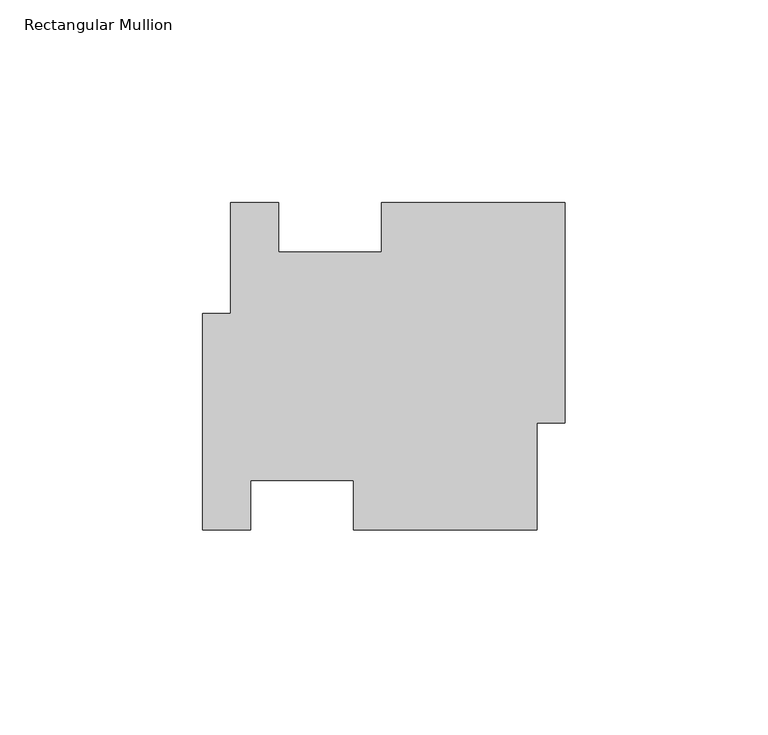
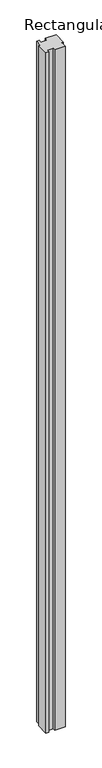
"""IFC4 building model written with IfcOpenShell, lengths in millimetres: member geometry, Rectangular Mullion."""

from ifc_helpers import new_model, si_unit, frame, origin, place, context, project, spatial, polyline, outline, extrude, source, transform, mapped, element, save


def rectangular_mullion_9c139787(model_context):
    return source(origin(), model_context, "Body", "SweptSolid", [
        extrude(outline(polyline([(-6.9088, -9.8522834), (-6.9088, -36.3470297), (-52.2224, -36.3470297), (-52.2224, -24.1296297), (-77.6224, -24.1296297), (-77.6224, -36.3470297), (-89.4588, -36.3470297), (-89.4588, 17.1299914), (-82.55, 17.1299914), (-82.55, 44.5037166), (-70.7136, 44.5037166), (-70.7136, 32.2863166), (-45.3136, 32.2863166), (-45.3136, 44.5037166), (0.0, 44.5037166), (0.0, -9.8522834), (-6.9088, -9.8522834)])), frame((0.0, 0.0, -3048.0), z_axis=(0.0, 0.0, 1.0), x_axis=(1.0, 0.0, 0.0)), (0.0, 0.0, 1.0), 3048.0),
    ])


if __name__ == "__main__":
    model = new_model("IFC4")
    model_context = context("Model", 3, world=origin())
    ifc_project = project(units=[si_unit("LENGTHUNIT", "METRE", prefix="MILLI")], contexts=[model_context])
    site = spatial("IfcSite", under=ifc_project)
    building = spatial("IfcBuilding", under=site)
    placement = place(None, origin())
    rectangular_mullion_shape = rectangular_mullion_9c139787(model_context)
    element("IfcMember", 1, ObjectType="Rectangular Mullion", at=placement, inside=building, context=model_context, shape_type="MappedRepresentation", body=[
        mapped(rectangular_mullion_shape, transform((0.0, 0.0, 0.0), x_axis=(1.0, 0.0, 0.0), y_axis=(0.0, 1.0, 0.0), z_axis=(0.0, 0.0, 1.0))),
    ])
    save(model, "model.ifc")
